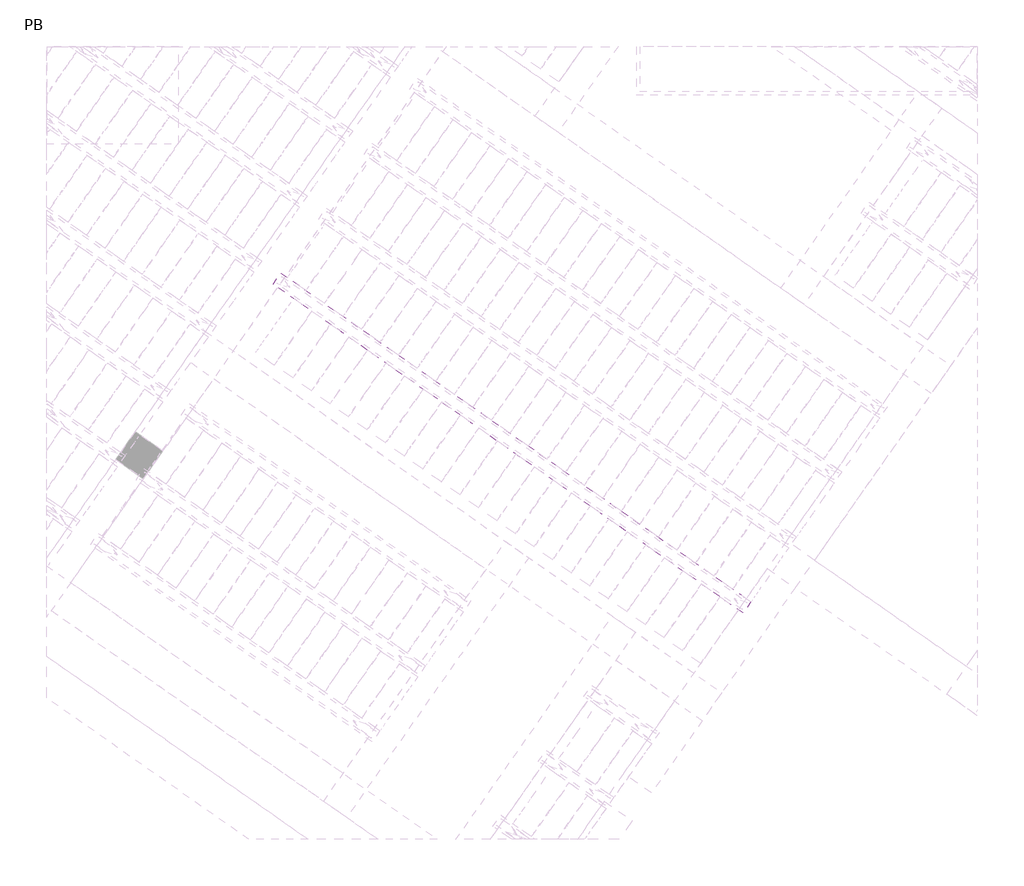
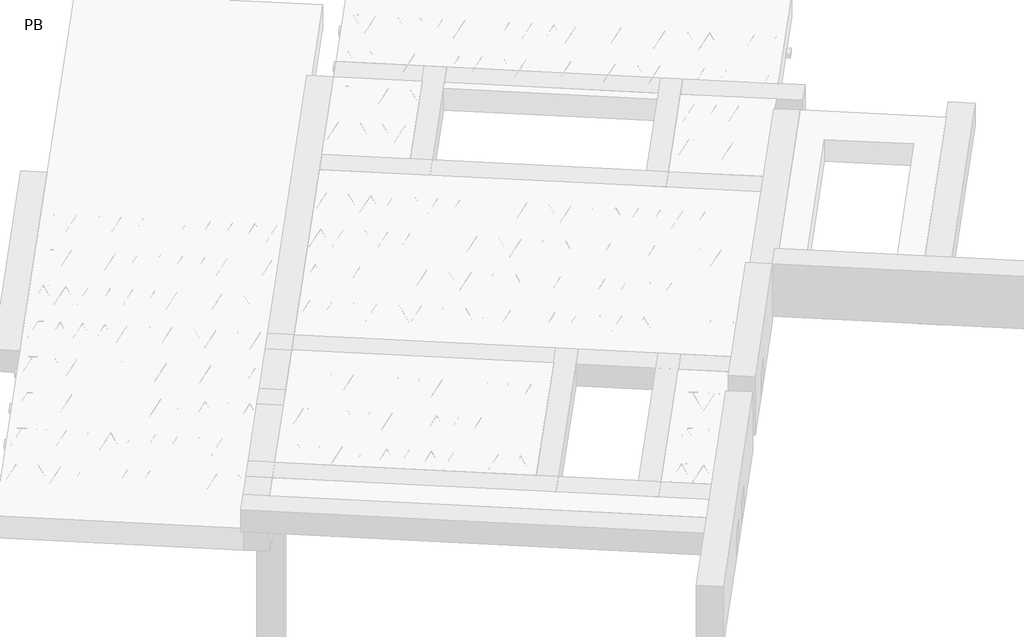
# One storey, part 20 of 56: 1 beam.
"""IFC4 building model written with IfcOpenShell, lengths in millimetres."""

from ifc_helpers import new_model, si_unit, point, frame, origin, origin_2d, place, context, project, spatial, polyline, circle_curve, trimmed, segment, composite_curve, outline, extrude, element, save

model = new_model("IFC4")

# Units and contexts
model_context = context("Model", 3, world=origin())
ifc_project = project(units=[si_unit("LENGTHUNIT", "METRE", prefix="MILLI")], contexts=[model_context])

# Site, building, storey
site = spatial("IfcSite", under=ifc_project)
building = spatial("IfcBuilding", under=site)
storey = spatial("IfcBuildingStorey", under=building, Name="PB", Elevation=95940.0)

# Beam
placement = place(None, origin())
element("IfcBeam", 1, at=placement, inside=storey, context=model_context, shape_type="SweptSolid", body=[
    extrude(outline(polyline([(3325.4790945, 3775.6919188), (3394.3082669, 3873.9901641), (7543.76721, 968.5077324), (7474.9380377, 870.2094871), (3325.4790945, 3775.6919188)])), frame((0.0, 0.0, 99220.0), z_axis=(0.0, 0.0, 1.0), x_axis=(1.0, 0.0, 0.0)), (0.0, 0.0, 1.0), 50.0),
    extrude(outline(composite_curve([segment(trimmed(circle_curve(origin_2d(), 2.5), [point((-2.5, 0.0))], [point((2.5, 0.0))], False, "CARTESIAN"), True, "CONTINUOUS"), segment(trimmed(circle_curve(origin_2d(), 2.5), [point((2.5, 0.0))], [point((-2.5, 0.0))], False, "CARTESIAN"), True, "CONTINUOUS")], self_intersect=False)), frame((7469.0442231, 903.6349706, 99245.0), z_axis=(-0.8191520442696126, 0.5735764363787226, 0.0), x_axis=(0.5735764363787226, 0.8191520442696126, 0.0)), (0.0, 0.0, 1.0), 5017.554035),
    extrude(outline(composite_curve([segment(trimmed(circle_curve(origin_2d(), 2.5), [point((-2.4999999, 0.0))], [point((2.5, 0.0))], False, "CARTESIAN"), True, "CONTINUOUS"), segment(trimmed(circle_curve(origin_2d(), 2.5), [point((2.5, 0.0))], [point((-2.4999999, 0.0))], False, "CARTESIAN"), True, "CONTINUOUS")], self_intersect=False)), frame((7421.0668597, 981.1769673, 99470.0), z_axis=(-0.8191520442696126, 0.5735764363787226, 0.0), x_axis=(0.5735764363787226, 0.8191520442696126, 0.0)), (0.0, 0.0, 1.0), 4850.0),
    extrude(outline(composite_curve([segment(trimmed(circle_curve(origin_2d(), 2.5), [point((-2.5000001, 1e-07))], [point((2.5, 0.0))], False, "CARTESIAN"), True, "CONTINUOUS"), segment(trimmed(circle_curve(origin_2d(), 2.5), [point((2.5, 0.0))], [point((-2.5000001, 1e-07))], False, "CARTESIAN"), True, "CONTINUOUS")], self_intersect=False)), frame((7461.8545114, 908.669261, 99245.0), z_axis=(-0.3145304735701046, 0.38933448886848654, 0.8657304643902053), x_axis=(0.7778747638402499, 0.6284193279813057, 0.0)), (0.0, 0.0, 1.0), 259.8961331),
    extrude(outline(composite_curve([segment(trimmed(circle_curve(origin_2d(), 2.5), [point((2.5, 0.0))], [point((-2.5, 0.0))], False, "CARTESIAN"), True, "CONTINUOUS"), segment(trimmed(circle_curve(origin_2d(), 2.5), [point((-2.5, 0.0))], [point((2.5, 0.0))], False, "CARTESIAN"), True, "CONTINUOUS")], self_intersect=False)), frame((7257.0665003, 1052.0633701, 99245.0), z_axis=(0.47343050384693375, -0.16240172737369005, 0.8657304643902051), x_axis=(-0.3244721671091268, -0.9458952440791246, 0.0)), (0.0, 0.0, 1.0), 259.8961331),
    extrude(outline(composite_curve([segment(trimmed(circle_curve(origin_2d(), 2.5), [point((-2.5, 0.0))], [point((2.5, 0.0))], False, "CARTESIAN"), True, "CONTINUOUS"), segment(trimmed(circle_curve(origin_2d(), 2.5), [point((2.5, 0.0))], [point((-2.5, 0.0))], False, "CARTESIAN"), True, "CONTINUOUS")], self_intersect=False)), frame((7257.0665003, 1052.0633701, 99245.0), z_axis=(-0.3145304735701046, 0.38933448886848654, 0.8657304643902053), x_axis=(0.7778747638402499, 0.6284193279813057, 0.0)), (0.0, 0.0, 1.0), 259.8961331),
    extrude(outline(composite_curve([segment(trimmed(circle_curve(origin_2d(), 2.5), [point((2.5, 0.0))], [point((-2.5, 0.0))], False, "CARTESIAN"), True, "CONTINUOUS"), segment(trimmed(circle_curve(origin_2d(), 2.5), [point((-2.5, 0.0))], [point((2.5, 0.0))], False, "CARTESIAN"), True, "CONTINUOUS")], self_intersect=False)), frame((7052.2784892, 1195.4574792, 99245.0), z_axis=(0.47343050384693375, -0.16240172737369005, 0.8657304643902051), x_axis=(-0.3244721671091268, -0.9458952440791246, 0.0)), (0.0, 0.0, 1.0), 259.8961331),
    extrude(outline(composite_curve([segment(trimmed(circle_curve(origin_2d(), 2.5), [point((-2.5, 0.0))], [point((2.5, 0.0))], False, "CARTESIAN"), True, "CONTINUOUS"), segment(trimmed(circle_curve(origin_2d(), 2.5), [point((2.5, 0.0))], [point((-2.5, 0.0))], False, "CARTESIAN"), True, "CONTINUOUS")], self_intersect=False)), frame((7052.2784892, 1195.4574792, 99245.0), z_axis=(-0.3145304735701046, 0.38933448886848654, 0.8657304643902053), x_axis=(0.7778747638402499, 0.6284193279813057, 0.0)), (0.0, 0.0, 1.0), 259.8961331),
    extrude(outline(composite_curve([segment(trimmed(circle_curve(origin_2d(), 2.5), [point((2.5, 0.0))], [point((-2.5, 1e-07))], False, "CARTESIAN"), True, "CONTINUOUS"), segment(trimmed(circle_curve(origin_2d(), 2.5), [point((-2.5, 1e-07))], [point((2.5, 0.0))], False, "CARTESIAN"), True, "CONTINUOUS")], self_intersect=False)), frame((6847.4904781, 1338.8515883, 99245.0), z_axis=(0.47343050384693375, -0.16240172737369005, 0.8657304643902051), x_axis=(-0.3244721671091268, -0.9458952440791246, 0.0)), (0.0, 0.0, 1.0), 259.8961331),
    extrude(outline(composite_curve([segment(trimmed(circle_curve(origin_2d(), 2.5), [point((-2.5, 0.0))], [point((2.5, 0.0))], False, "CARTESIAN"), True, "CONTINUOUS"), segment(trimmed(circle_curve(origin_2d(), 2.5), [point((2.5, 0.0))], [point((-2.5, 0.0))], False, "CARTESIAN"), True, "CONTINUOUS")], self_intersect=False)), frame((6847.4904781, 1338.8515883, 99245.0), z_axis=(-0.3145304735701046, 0.38933448886848654, 0.8657304643902053), x_axis=(0.7778747638402499, 0.6284193279813057, 0.0)), (0.0, 0.0, 1.0), 259.8961331),
    extrude(outline(composite_curve([segment(trimmed(circle_curve(origin_2d(), 2.5), [point((2.5, 0.0))], [point((-2.5, 0.0))], False, "CARTESIAN"), True, "CONTINUOUS"), segment(trimmed(circle_curve(origin_2d(), 2.5), [point((-2.5, 0.0))], [point((2.5, 0.0))], False, "CARTESIAN"), True, "CONTINUOUS")], self_intersect=False)), frame((6642.7024671, 1482.2456974, 99245.0), z_axis=(0.47343050384693375, -0.16240172737369005, 0.8657304643902051), x_axis=(-0.3244721671091268, -0.9458952440791246, 0.0)), (0.0, 0.0, 1.0), 259.8961331),
    extrude(outline(composite_curve([segment(trimmed(circle_curve(origin_2d(), 2.5), [point((-2.5, 0.0))], [point((2.5, 1e-07))], False, "CARTESIAN"), True, "CONTINUOUS"), segment(trimmed(circle_curve(origin_2d(), 2.5), [point((2.5, 1e-07))], [point((-2.5, 0.0))], False, "CARTESIAN"), True, "CONTINUOUS")], self_intersect=False)), frame((6642.7024674, 1482.2456971, 99245.0), z_axis=(-0.3145304735701046, 0.38933448886848654, 0.8657304643902053), x_axis=(0.7778747638402499, 0.6284193279813057, 0.0)), (0.0, 0.0, 1.0), 259.8961331),
    extrude(outline(composite_curve([segment(trimmed(circle_curve(origin_2d(), 2.5), [point((2.5, 0.0))], [point((-2.5000001, 0.0))], False, "CARTESIAN"), True, "CONTINUOUS"), segment(trimmed(circle_curve(origin_2d(), 2.5), [point((-2.5000001, 0.0))], [point((2.5, 0.0))], False, "CARTESIAN"), True, "CONTINUOUS")], self_intersect=False)), frame((6437.9144563, 1625.6398062, 99245.0), z_axis=(0.47343050384693375, -0.16240172737369005, 0.8657304643902051), x_axis=(-0.3244721671091268, -0.9458952440791246, 0.0)), (0.0, 0.0, 1.0), 259.8961331),
    extrude(outline(composite_curve([segment(trimmed(circle_curve(origin_2d(), 2.5), [point((-2.5, 0.0))], [point((2.5, 1e-07))], False, "CARTESIAN"), True, "CONTINUOUS"), segment(trimmed(circle_curve(origin_2d(), 2.5), [point((2.5, 1e-07))], [point((-2.5, 0.0))], False, "CARTESIAN"), True, "CONTINUOUS")], self_intersect=False)), frame((6437.9144563, 1625.6398062, 99245.0), z_axis=(-0.3145304735701046, 0.38933448886848654, 0.8657304643902053), x_axis=(0.7778747638402499, 0.6284193279813057, 0.0)), (0.0, 0.0, 1.0), 259.8961331),
    extrude(outline(composite_curve([segment(trimmed(circle_curve(origin_2d(), 2.5), [point((2.5, -1e-07))], [point((-2.5, 0.0))], False, "CARTESIAN"), True, "CONTINUOUS"), segment(trimmed(circle_curve(origin_2d(), 2.5), [point((-2.5, 0.0))], [point((2.5, -1e-07))], False, "CARTESIAN"), True, "CONTINUOUS")], self_intersect=False)), frame((6233.1264453, 1769.0339153, 99245.0), z_axis=(0.47343050384693375, -0.16240172737369005, 0.8657304643902051), x_axis=(-0.3244721671091268, -0.9458952440791246, 0.0)), (0.0, 0.0, 1.0), 259.8961331),
    extrude(outline(composite_curve([segment(trimmed(circle_curve(origin_2d(), 2.5), [point((-2.5, 0.0))], [point((2.5, 1e-07))], False, "CARTESIAN"), True, "CONTINUOUS"), segment(trimmed(circle_curve(origin_2d(), 2.5), [point((2.5, 1e-07))], [point((-2.5, 0.0))], False, "CARTESIAN"), True, "CONTINUOUS")], self_intersect=False)), frame((6233.1264453, 1769.0339153, 99245.0), z_axis=(-0.3145304735701046, 0.38933448886848654, 0.8657304643902053), x_axis=(0.7778747638402499, 0.6284193279813057, 0.0)), (0.0, 0.0, 1.0), 259.8961331),
    extrude(outline(composite_curve([segment(trimmed(circle_curve(origin_2d(), 2.5), [point((2.5, 0.0))], [point((-2.5, 0.0))], False, "CARTESIAN"), True, "CONTINUOUS"), segment(trimmed(circle_curve(origin_2d(), 2.5), [point((-2.5, 0.0))], [point((2.5, 0.0))], False, "CARTESIAN"), True, "CONTINUOUS")], self_intersect=False)), frame((6028.3384342, 1912.4280244, 99245.0), z_axis=(0.47343050384693375, -0.16240172737369005, 0.8657304643902051), x_axis=(-0.3244721671091268, -0.9458952440791246, 0.0)), (0.0, 0.0, 1.0), 259.8961331),
    extrude(outline(composite_curve([segment(trimmed(circle_curve(origin_2d(), 2.5), [point((-2.5, 0.0))], [point((2.5, 1e-07))], False, "CARTESIAN"), True, "CONTINUOUS"), segment(trimmed(circle_curve(origin_2d(), 2.5), [point((2.5, 1e-07))], [point((-2.5, 0.0))], False, "CARTESIAN"), True, "CONTINUOUS")], self_intersect=False)), frame((6028.3384342, 1912.4280244, 99245.0), z_axis=(-0.3145304735701046, 0.38933448886848654, 0.8657304643902053), x_axis=(0.7778747638402499, 0.6284193279813057, 0.0)), (0.0, 0.0, 1.0), 259.8961331),
    extrude(outline(composite_curve([segment(trimmed(circle_curve(origin_2d(), 2.5), [point((2.5, 0.0))], [point((-2.5, 0.0))], False, "CARTESIAN"), True, "CONTINUOUS"), segment(trimmed(circle_curve(origin_2d(), 2.5), [point((-2.5, 0.0))], [point((2.5, 0.0))], False, "CARTESIAN"), True, "CONTINUOUS")], self_intersect=False)), frame((5823.5504231, 2055.8221335, 99245.0), z_axis=(0.47343050384693375, -0.16240172737369005, 0.8657304643902051), x_axis=(-0.3244721671091268, -0.9458952440791246, 0.0)), (0.0, 0.0, 1.0), 259.8961331),
    extrude(outline(composite_curve([segment(trimmed(circle_curve(origin_2d(), 2.5), [point((-2.5, 0.0))], [point((2.5, 0.0))], False, "CARTESIAN"), True, "CONTINUOUS"), segment(trimmed(circle_curve(origin_2d(), 2.5), [point((2.5, 0.0))], [point((-2.5, 0.0))], False, "CARTESIAN"), True, "CONTINUOUS")], self_intersect=False)), frame((5823.5504231, 2055.8221335, 99245.0), z_axis=(-0.3145304735701046, 0.38933448886848654, 0.8657304643902053), x_axis=(0.7778747638402499, 0.6284193279813057, 0.0)), (0.0, 0.0, 1.0), 259.8961331),
    extrude(outline(composite_curve([segment(trimmed(circle_curve(origin_2d(), 2.5), [point((2.5, -1e-07))], [point((-2.5, 0.0))], False, "CARTESIAN"), True, "CONTINUOUS"), segment(trimmed(circle_curve(origin_2d(), 2.5), [point((-2.5, 0.0))], [point((2.5, -1e-07))], False, "CARTESIAN"), True, "CONTINUOUS")], self_intersect=False)), frame((5618.7624121, 2199.2162426, 99245.0), z_axis=(0.47343050384693375, -0.16240172737369005, 0.8657304643902051), x_axis=(-0.3244721671091268, -0.9458952440791246, 0.0)), (0.0, 0.0, 1.0), 259.8961331),
    extrude(outline(composite_curve([segment(trimmed(circle_curve(origin_2d(), 2.5), [point((-2.5, 0.0))], [point((2.5, 0.0))], False, "CARTESIAN"), True, "CONTINUOUS"), segment(trimmed(circle_curve(origin_2d(), 2.5), [point((2.5, 0.0))], [point((-2.5, 0.0))], False, "CARTESIAN"), True, "CONTINUOUS")], self_intersect=False)), frame((5618.7624121, 2199.2162426, 99245.0), z_axis=(-0.3145304735701046, 0.38933448886848654, 0.8657304643902053), x_axis=(0.7778747638402499, 0.6284193279813057, 0.0)), (0.0, 0.0, 1.0), 259.8961331),
    extrude(outline(composite_curve([segment(trimmed(circle_curve(origin_2d(), 2.5), [point((2.5, 0.0))], [point((-2.5, 0.0))], False, "CARTESIAN"), True, "CONTINUOUS"), segment(trimmed(circle_curve(origin_2d(), 2.5), [point((-2.5, 0.0))], [point((2.5, 0.0))], False, "CARTESIAN"), True, "CONTINUOUS")], self_intersect=False)), frame((5413.974401, 2342.6103517, 99245.0), z_axis=(0.47343050384693375, -0.16240172737369005, 0.8657304643902051), x_axis=(-0.3244721671091268, -0.9458952440791246, 0.0)), (0.0, 0.0, 1.0), 259.8961331),
    extrude(outline(composite_curve([segment(trimmed(circle_curve(origin_2d(), 2.5), [point((-2.5, 0.0))], [point((2.5, 0.0))], False, "CARTESIAN"), True, "CONTINUOUS"), segment(trimmed(circle_curve(origin_2d(), 2.5), [point((2.5, 0.0))], [point((-2.5, 0.0))], False, "CARTESIAN"), True, "CONTINUOUS")], self_intersect=False)), frame((5413.974401, 2342.6103517, 99245.0), z_axis=(-0.3145304735701046, 0.38933448886848654, 0.8657304643902053), x_axis=(0.7778747638402499, 0.6284193279813057, 0.0)), (0.0, 0.0, 1.0), 259.8961331),
    extrude(outline(composite_curve([segment(trimmed(circle_curve(origin_2d(), 2.5), [point((2.5, 0.0))], [point((-2.5, 0.0))], False, "CARTESIAN"), True, "CONTINUOUS"), segment(trimmed(circle_curve(origin_2d(), 2.5), [point((-2.5, 0.0))], [point((2.5, 0.0))], False, "CARTESIAN"), True, "CONTINUOUS")], self_intersect=False)), frame((5209.1863899, 2486.0044608, 99245.0), z_axis=(0.47343050384693375, -0.16240172737369005, 0.8657304643902051), x_axis=(-0.3244721671091268, -0.9458952440791246, 0.0)), (0.0, 0.0, 1.0), 259.8961331),
    extrude(outline(composite_curve([segment(trimmed(circle_curve(origin_2d(), 2.5), [point((-2.5, 0.0))], [point((2.5, 0.0))], False, "CARTESIAN"), True, "CONTINUOUS"), segment(trimmed(circle_curve(origin_2d(), 2.5), [point((2.5, 0.0))], [point((-2.5, 0.0))], False, "CARTESIAN"), True, "CONTINUOUS")], self_intersect=False)), frame((5209.1863899, 2486.0044608, 99245.0), z_axis=(-0.3145304735701046, 0.38933448886848654, 0.8657304643902053), x_axis=(0.7778747638402499, 0.6284193279813057, 0.0)), (0.0, 0.0, 1.0), 259.8961331),
    extrude(outline(composite_curve([segment(trimmed(circle_curve(origin_2d(), 2.5), [point((2.5, -1e-07))], [point((-2.5, 0.0))], False, "CARTESIAN"), True, "CONTINUOUS"), segment(trimmed(circle_curve(origin_2d(), 2.5), [point((-2.5, 0.0))], [point((2.5, -1e-07))], False, "CARTESIAN"), True, "CONTINUOUS")], self_intersect=False)), frame((5004.3983789, 2629.3985699, 99245.0), z_axis=(0.47343050384693375, -0.16240172737369005, 0.8657304643902051), x_axis=(-0.3244721671091268, -0.9458952440791246, 0.0)), (0.0, 0.0, 1.0), 259.8961331),
    extrude(outline(composite_curve([segment(trimmed(circle_curve(origin_2d(), 2.5), [point((-2.5000001, 1e-07))], [point((2.5, 0.0))], False, "CARTESIAN"), True, "CONTINUOUS"), segment(trimmed(circle_curve(origin_2d(), 2.5), [point((2.5, 0.0))], [point((-2.5000001, 1e-07))], False, "CARTESIAN"), True, "CONTINUOUS")], self_intersect=False)), frame((5004.3983789, 2629.3985699, 99245.0), z_axis=(-0.3145304735701046, 0.38933448886848654, 0.8657304643902053), x_axis=(0.7778747638402499, 0.6284193279813057, 0.0)), (0.0, 0.0, 1.0), 259.8961331),
    extrude(outline(composite_curve([segment(trimmed(circle_curve(origin_2d(), 2.5), [point((2.5, 0.0))], [point((-2.5, 0.0))], False, "CARTESIAN"), True, "CONTINUOUS"), segment(trimmed(circle_curve(origin_2d(), 2.5), [point((-2.5, 0.0))], [point((2.5, 0.0))], False, "CARTESIAN"), True, "CONTINUOUS")], self_intersect=False)), frame((4799.6103678, 2772.792679, 99245.0), z_axis=(0.47343050384693375, -0.16240172737369005, 0.8657304643902051), x_axis=(-0.3244721671091268, -0.9458952440791246, 0.0)), (0.0, 0.0, 1.0), 259.8961331),
    extrude(outline(composite_curve([segment(trimmed(circle_curve(origin_2d(), 2.5), [point((-2.5, 0.0))], [point((2.5, 0.0))], False, "CARTESIAN"), True, "CONTINUOUS"), segment(trimmed(circle_curve(origin_2d(), 2.5), [point((2.5, 0.0))], [point((-2.5, 0.0))], False, "CARTESIAN"), True, "CONTINUOUS")], self_intersect=False)), frame((4799.6103678, 2772.792679, 99245.0), z_axis=(-0.3145304735701046, 0.38933448886848654, 0.8657304643902053), x_axis=(0.7778747638402499, 0.6284193279813057, 0.0)), (0.0, 0.0, 1.0), 259.8961331),
    extrude(outline(composite_curve([segment(trimmed(circle_curve(origin_2d(), 2.5), [point((2.5, 0.0))], [point((-2.5, 0.0))], False, "CARTESIAN"), True, "CONTINUOUS"), segment(trimmed(circle_curve(origin_2d(), 2.5), [point((-2.5, 0.0))], [point((2.5, 0.0))], False, "CARTESIAN"), True, "CONTINUOUS")], self_intersect=False)), frame((4594.8223567, 2916.1867881, 99245.0), z_axis=(0.47343050384693375, -0.16240172737369005, 0.8657304643902051), x_axis=(-0.3244721671091268, -0.9458952440791246, 0.0)), (0.0, 0.0, 1.0), 259.8961331),
    extrude(outline(composite_curve([segment(trimmed(circle_curve(origin_2d(), 2.5), [point((-2.5, 0.0))], [point((2.5, 0.0))], False, "CARTESIAN"), True, "CONTINUOUS"), segment(trimmed(circle_curve(origin_2d(), 2.5), [point((2.5, 0.0))], [point((-2.5, 0.0))], False, "CARTESIAN"), True, "CONTINUOUS")], self_intersect=False)), frame((4594.8223567, 2916.1867881, 99245.0), z_axis=(-0.3145304735701046, 0.38933448886848654, 0.8657304643902053), x_axis=(0.7778747638402499, 0.6284193279813057, 0.0)), (0.0, 0.0, 1.0), 259.8961331),
    extrude(outline(composite_curve([segment(trimmed(circle_curve(origin_2d(), 2.5), [point((2.5, -1e-07))], [point((-2.5, 0.0))], False, "CARTESIAN"), True, "CONTINUOUS"), segment(trimmed(circle_curve(origin_2d(), 2.5), [point((-2.5, 0.0))], [point((2.5, -1e-07))], False, "CARTESIAN"), True, "CONTINUOUS")], self_intersect=False)), frame((4390.0343457, 3059.5808972, 99245.0), z_axis=(0.47343050384693375, -0.16240172737369005, 0.8657304643902051), x_axis=(-0.3244721671091268, -0.9458952440791246, 0.0)), (0.0, 0.0, 1.0), 259.8961331),
    extrude(outline(composite_curve([segment(trimmed(circle_curve(origin_2d(), 2.5), [point((-2.5000001, 1e-07))], [point((2.5, 0.0))], False, "CARTESIAN"), True, "CONTINUOUS"), segment(trimmed(circle_curve(origin_2d(), 2.5), [point((2.5, 0.0))], [point((-2.5000001, 1e-07))], False, "CARTESIAN"), True, "CONTINUOUS")], self_intersect=False)), frame((4390.0343457, 3059.5808972, 99245.0), z_axis=(-0.3145304735701046, 0.38933448886848654, 0.8657304643902053), x_axis=(0.7778747638402499, 0.6284193279813057, 0.0)), (0.0, 0.0, 1.0), 259.8961331),
    extrude(outline(composite_curve([segment(trimmed(circle_curve(origin_2d(), 2.5), [point((2.5, 0.0))], [point((-2.5, 0.0))], False, "CARTESIAN"), True, "CONTINUOUS"), segment(trimmed(circle_curve(origin_2d(), 2.5), [point((-2.5, 0.0))], [point((2.5, 0.0))], False, "CARTESIAN"), True, "CONTINUOUS")], self_intersect=False)), frame((4185.2463346, 3202.9750063, 99245.0), z_axis=(0.47343050384693375, -0.16240172737369005, 0.8657304643902051), x_axis=(-0.3244721671091268, -0.9458952440791246, 0.0)), (0.0, 0.0, 1.0), 259.8961331),
    extrude(outline(composite_curve([segment(trimmed(circle_curve(origin_2d(), 2.5), [point((-2.5, 0.0))], [point((2.5, 0.0))], False, "CARTESIAN"), True, "CONTINUOUS"), segment(trimmed(circle_curve(origin_2d(), 2.5), [point((2.5, 0.0))], [point((-2.5, 0.0))], False, "CARTESIAN"), True, "CONTINUOUS")], self_intersect=False)), frame((4185.2463346, 3202.9750063, 99245.0), z_axis=(-0.3145304735701046, 0.38933448886848654, 0.8657304643902053), x_axis=(0.7778747638402499, 0.6284193279813057, 0.0)), (0.0, 0.0, 1.0), 259.8961331),
    extrude(outline(composite_curve([segment(trimmed(circle_curve(origin_2d(), 2.5), [point((2.5, 0.0))], [point((-2.5, 0.0))], False, "CARTESIAN"), True, "CONTINUOUS"), segment(trimmed(circle_curve(origin_2d(), 2.5), [point((-2.5, 0.0))], [point((2.5, 0.0))], False, "CARTESIAN"), True, "CONTINUOUS")], self_intersect=False)), frame((3980.4583235, 3346.3691154, 99245.0), z_axis=(0.47343050384693375, -0.16240172737369005, 0.8657304643902051), x_axis=(-0.3244721671091268, -0.9458952440791246, 0.0)), (0.0, 0.0, 1.0), 259.8961331),
    extrude(outline(composite_curve([segment(trimmed(circle_curve(origin_2d(), 2.5), [point((-2.5, 0.0))], [point((2.5, 0.0))], False, "CARTESIAN"), True, "CONTINUOUS"), segment(trimmed(circle_curve(origin_2d(), 2.5), [point((2.5, 0.0))], [point((-2.5, 0.0))], False, "CARTESIAN"), True, "CONTINUOUS")], self_intersect=False)), frame((3980.4583235, 3346.3691154, 99245.0), z_axis=(-0.3145304735701046, 0.38933448886848654, 0.8657304643902053), x_axis=(0.7778747638402499, 0.6284193279813057, 0.0)), (0.0, 0.0, 1.0), 259.8961331),
    extrude(outline(composite_curve([segment(trimmed(circle_curve(origin_2d(), 2.5), [point((2.5, -1e-07))], [point((-2.5, 0.0))], False, "CARTESIAN"), True, "CONTINUOUS"), segment(trimmed(circle_curve(origin_2d(), 2.5), [point((-2.5, 0.0))], [point((2.5, -1e-07))], False, "CARTESIAN"), True, "CONTINUOUS")], self_intersect=False)), frame((3775.6703125, 3489.7632245, 99245.0), z_axis=(0.47343050384693375, -0.16240172737369005, 0.8657304643902051), x_axis=(-0.3244721671091268, -0.9458952440791246, 0.0)), (0.0, 0.0, 1.0), 259.8961331),
    extrude(outline(composite_curve([segment(trimmed(circle_curve(origin_2d(), 2.5), [point((-2.5000001, 1e-07))], [point((2.5, 0.0))], False, "CARTESIAN"), True, "CONTINUOUS"), segment(trimmed(circle_curve(origin_2d(), 2.5), [point((2.5, 0.0))], [point((-2.5000001, 1e-07))], False, "CARTESIAN"), True, "CONTINUOUS")], self_intersect=False)), frame((3775.6703125, 3489.7632245, 99245.0), z_axis=(-0.3145304735701046, 0.38933448886848654, 0.8657304643902053), x_axis=(0.7778747638402499, 0.6284193279813057, 0.0)), (0.0, 0.0, 1.0), 259.8961331),
    extrude(outline(composite_curve([segment(trimmed(circle_curve(origin_2d(), 2.5), [point((2.5, 0.0))], [point((-2.5, 0.0))], False, "CARTESIAN"), True, "CONTINUOUS"), segment(trimmed(circle_curve(origin_2d(), 2.5), [point((-2.5, 0.0))], [point((2.5, 0.0))], False, "CARTESIAN"), True, "CONTINUOUS")], self_intersect=False)), frame((3570.8823014, 3633.1573336, 99245.0), z_axis=(0.47343050384693375, -0.16240172737369005, 0.8657304643902051), x_axis=(-0.3244721671091268, -0.9458952440791246, 0.0)), (0.0, 0.0, 1.0), 259.8961331),
    extrude(outline(composite_curve([segment(trimmed(circle_curve(origin_2d(), 2.5), [point((-2.5, -1e-07))], [point((2.5, 0.0))], False, "CARTESIAN"), True, "CONTINUOUS"), segment(trimmed(circle_curve(origin_2d(), 2.5), [point((2.5, 0.0))], [point((-2.5, -1e-07))], False, "CARTESIAN"), True, "CONTINUOUS")], self_intersect=False)), frame((3570.8823014, 3633.1573336, 99245.0), z_axis=(-0.3145304735701046, 0.38933448886848654, 0.8657304643902053), x_axis=(0.7778747638402499, 0.6284193279813057, 0.0)), (0.0, 0.0, 1.0), 259.8961331),
    extrude(outline(composite_curve([segment(trimmed(circle_curve(origin_2d(), 2.5), [point((2.5, 0.0))], [point((-2.5, 0.0))], False, "CARTESIAN"), True, "CONTINUOUS"), segment(trimmed(circle_curve(origin_2d(), 2.5), [point((-2.5, 0.0))], [point((2.5, 0.0))], False, "CARTESIAN"), True, "CONTINUOUS")], self_intersect=False)), frame((3366.0942903, 3776.5514427, 99245.0), z_axis=(0.47343050384693375, -0.16240172737369005, 0.8657304643902051), x_axis=(-0.3244721671091268, -0.9458952440791246, 0.0)), (0.0, 0.0, 1.0), 259.8961331),
    extrude(outline(composite_curve([segment(trimmed(circle_curve(origin_2d(), 2.5), [point((-2.5, 0.0))], [point((2.5, 0.0))], False, "CARTESIAN"), True, "CONTINUOUS"), segment(trimmed(circle_curve(origin_2d(), 2.5), [point((2.5, 0.0))], [point((-2.5, 0.0))], False, "CARTESIAN"), True, "CONTINUOUS")], self_intersect=False)), frame((7510.3417265, 962.6139178, 99245.0), z_axis=(-0.8191520442696126, 0.5735764363787226, 0.0), x_axis=(0.5735764363787226, 0.8191520442696126, 0.0)), (0.0, 0.0, 1.0), 5017.554035),
    extrude(outline(composite_curve([segment(trimmed(circle_curve(origin_2d(), 2.5), [point((-2.5, 0.0))], [point((2.5, 0.0))], False, "CARTESIAN"), True, "CONTINUOUS"), segment(trimmed(circle_curve(origin_2d(), 2.5), [point((2.5, 0.0))], [point((-2.5, 0.0))], False, "CARTESIAN"), True, "CONTINUOUS")], self_intersect=False)), frame((7503.1520148, 967.6482082, 99245.0), z_axis=(-0.47343050384693375, 0.16240172737369005, 0.8657304643902051), x_axis=(0.3244721671091268, 0.9458952440791246, 0.0)), (0.0, 0.0, 1.0), 259.8961331),
    extrude(outline(composite_curve([segment(trimmed(circle_curve(origin_2d(), 2.5), [point((2.5, 0.0))], [point((-2.5, 0.0))], False, "CARTESIAN"), True, "CONTINUOUS"), segment(trimmed(circle_curve(origin_2d(), 2.5), [point((-2.5, 0.0))], [point((2.5, 0.0))], False, "CARTESIAN"), True, "CONTINUOUS")], self_intersect=False)), frame((7298.3640037, 1111.0423173, 99245.0), z_axis=(0.3145304735701046, -0.38933448886848654, 0.8657304643902053), x_axis=(-0.7778747638402499, -0.6284193279813057, 0.0)), (0.0, 0.0, 1.0), 259.8961331),
    extrude(outline(composite_curve([segment(trimmed(circle_curve(origin_2d(), 2.5), [point((-2.5, 0.0))], [point((2.5, 0.0))], False, "CARTESIAN"), True, "CONTINUOUS"), segment(trimmed(circle_curve(origin_2d(), 2.5), [point((2.5, 0.0))], [point((-2.5, 0.0))], False, "CARTESIAN"), True, "CONTINUOUS")], self_intersect=False)), frame((7298.3640037, 1111.0423173, 99245.0), z_axis=(-0.47343050384693375, 0.16240172737369005, 0.8657304643902051), x_axis=(0.3244721671091268, 0.9458952440791246, 0.0)), (0.0, 0.0, 1.0), 259.8961331),
    extrude(outline(composite_curve([segment(trimmed(circle_curve(origin_2d(), 2.5), [point((2.5, 0.0))], [point((-2.5, 0.0))], False, "CARTESIAN"), True, "CONTINUOUS"), segment(trimmed(circle_curve(origin_2d(), 2.5), [point((-2.5, 0.0))], [point((2.5, 0.0))], False, "CARTESIAN"), True, "CONTINUOUS")], self_intersect=False)), frame((7093.5759926, 1254.4364264, 99245.0), z_axis=(0.3145304735701046, -0.38933448886848654, 0.8657304643902053), x_axis=(-0.7778747638402499, -0.6284193279813057, 0.0)), (0.0, 0.0, 1.0), 259.8961331),
    extrude(outline(composite_curve([segment(trimmed(circle_curve(origin_2d(), 2.5), [point((-2.5, 0.0))], [point((2.5, 0.0))], False, "CARTESIAN"), True, "CONTINUOUS"), segment(trimmed(circle_curve(origin_2d(), 2.5), [point((2.5, 0.0))], [point((-2.5, 0.0))], False, "CARTESIAN"), True, "CONTINUOUS")], self_intersect=False)), frame((7093.5759926, 1254.4364264, 99245.0), z_axis=(-0.47343050384693375, 0.16240172737369005, 0.8657304643902051), x_axis=(0.3244721671091268, 0.9458952440791246, 0.0)), (0.0, 0.0, 1.0), 259.8961331),
    extrude(outline(composite_curve([segment(trimmed(circle_curve(origin_2d(), 2.5), [point((2.5000001, 0.0))], [point((-2.5, 0.0))], False, "CARTESIAN"), True, "CONTINUOUS"), segment(trimmed(circle_curve(origin_2d(), 2.5), [point((-2.5, 0.0))], [point((2.5000001, 0.0))], False, "CARTESIAN"), True, "CONTINUOUS")], self_intersect=False)), frame((6888.7879816, 1397.8305355, 99245.0), z_axis=(0.3145304735701046, -0.38933448886848654, 0.8657304643902053), x_axis=(-0.7778747638402499, -0.6284193279813057, 0.0)), (0.0, 0.0, 1.0), 259.8961331),
    extrude(outline(composite_curve([segment(trimmed(circle_curve(origin_2d(), 2.5), [point((-2.5, 1e-07))], [point((2.5, 0.0))], False, "CARTESIAN"), True, "CONTINUOUS"), segment(trimmed(circle_curve(origin_2d(), 2.5), [point((2.5, 0.0))], [point((-2.5, 1e-07))], False, "CARTESIAN"), True, "CONTINUOUS")], self_intersect=False)), frame((6888.7879816, 1397.8305355, 99245.0), z_axis=(-0.47343050384693375, 0.16240172737369005, 0.8657304643902051), x_axis=(0.3244721671091268, 0.9458952440791246, 0.0)), (0.0, 0.0, 1.0), 259.8961331),
    extrude(outline(composite_curve([segment(trimmed(circle_curve(origin_2d(), 2.5), [point((2.5, 1e-07))], [point((-2.5, 0.0))], False, "CARTESIAN"), True, "CONTINUOUS"), segment(trimmed(circle_curve(origin_2d(), 2.5), [point((-2.5, 0.0))], [point((2.5, 1e-07))], False, "CARTESIAN"), True, "CONTINUOUS")], self_intersect=False)), frame((6683.9999705, 1541.2246446, 99245.0), z_axis=(0.3145304735701046, -0.38933448886848654, 0.8657304643902053), x_axis=(-0.7778747638402499, -0.6284193279813057, 0.0)), (0.0, 0.0, 1.0), 259.8961331),
    extrude(outline(composite_curve([segment(trimmed(circle_curve(origin_2d(), 2.5), [point((-2.5, 0.0))], [point((2.5, 0.0))], False, "CARTESIAN"), True, "CONTINUOUS"), segment(trimmed(circle_curve(origin_2d(), 2.5), [point((2.5, 0.0))], [point((-2.5, 0.0))], False, "CARTESIAN"), True, "CONTINUOUS")], self_intersect=False)), frame((6683.9999708, 1541.2246443, 99245.0), z_axis=(-0.47343050384693375, 0.16240172737369005, 0.8657304643902051), x_axis=(0.3244721671091268, 0.9458952440791246, 0.0)), (0.0, 0.0, 1.0), 259.8961331),
    extrude(outline(composite_curve([segment(trimmed(circle_curve(origin_2d(), 2.5), [point((2.5000001, -1e-07))], [point((-2.5, 0.0))], False, "CARTESIAN"), True, "CONTINUOUS"), segment(trimmed(circle_curve(origin_2d(), 2.5), [point((-2.5, 0.0))], [point((2.5000001, -1e-07))], False, "CARTESIAN"), True, "CONTINUOUS")], self_intersect=False)), frame((6479.2119598, 1684.6187534, 99245.0), z_axis=(0.3145304735701046, -0.38933448886848654, 0.8657304643902053), x_axis=(-0.7778747638402499, -0.6284193279813057, 0.0)), (0.0, 0.0, 1.0), 259.8961331),
    extrude(outline(composite_curve([segment(trimmed(circle_curve(origin_2d(), 2.5), [point((-2.5, 0.0))], [point((2.5, -1e-07))], False, "CARTESIAN"), True, "CONTINUOUS"), segment(trimmed(circle_curve(origin_2d(), 2.5), [point((2.5, -1e-07))], [point((-2.5, 0.0))], False, "CARTESIAN"), True, "CONTINUOUS")], self_intersect=False)), frame((6479.2119597, 1684.6187534, 99245.0), z_axis=(-0.47343050384693375, 0.16240172737369005, 0.8657304643902051), x_axis=(0.3244721671091268, 0.9458952440791246, 0.0)), (0.0, 0.0, 1.0), 259.8961331),
    extrude(outline(composite_curve([segment(trimmed(circle_curve(origin_2d(), 2.5), [point((2.5, 0.0))], [point((-2.5, 0.0))], False, "CARTESIAN"), True, "CONTINUOUS"), segment(trimmed(circle_curve(origin_2d(), 2.5), [point((-2.5, 0.0))], [point((2.5, 0.0))], False, "CARTESIAN"), True, "CONTINUOUS")], self_intersect=False)), frame((6274.4239487, 1828.0128625, 99245.0), z_axis=(0.3145304735701046, -0.38933448886848654, 0.8657304643902053), x_axis=(-0.7778747638402499, -0.6284193279813057, 0.0)), (0.0, 0.0, 1.0), 259.8961331),
    extrude(outline(composite_curve([segment(trimmed(circle_curve(origin_2d(), 2.5), [point((-2.5, 0.0))], [point((2.5, 0.0))], False, "CARTESIAN"), True, "CONTINUOUS"), segment(trimmed(circle_curve(origin_2d(), 2.5), [point((2.5, 0.0))], [point((-2.5, 0.0))], False, "CARTESIAN"), True, "CONTINUOUS")], self_intersect=False)), frame((6274.4239487, 1828.0128625, 99245.0), z_axis=(-0.47343050384693375, 0.16240172737369005, 0.8657304643902051), x_axis=(0.3244721671091268, 0.9458952440791246, 0.0)), (0.0, 0.0, 1.0), 259.8961331),
    extrude(outline(composite_curve([segment(trimmed(circle_curve(origin_2d(), 2.5), [point((2.5, 0.0))], [point((-2.5, 0.0))], False, "CARTESIAN"), True, "CONTINUOUS"), segment(trimmed(circle_curve(origin_2d(), 2.5), [point((-2.5, 0.0))], [point((2.5, 0.0))], False, "CARTESIAN"), True, "CONTINUOUS")], self_intersect=False)), frame((6069.6359376, 1971.4069716, 99245.0), z_axis=(0.3145304735701046, -0.38933448886848654, 0.8657304643902053), x_axis=(-0.7778747638402499, -0.6284193279813057, 0.0)), (0.0, 0.0, 1.0), 259.8961331),
    extrude(outline(composite_curve([segment(trimmed(circle_curve(origin_2d(), 2.5), [point((-2.5, 0.0))], [point((2.5, 0.0))], False, "CARTESIAN"), True, "CONTINUOUS"), segment(trimmed(circle_curve(origin_2d(), 2.5), [point((2.5, 0.0))], [point((-2.5, 0.0))], False, "CARTESIAN"), True, "CONTINUOUS")], self_intersect=False)), frame((6069.6359376, 1971.4069716, 99245.0), z_axis=(-0.47343050384693375, 0.16240172737369005, 0.8657304643902051), x_axis=(0.3244721671091268, 0.9458952440791246, 0.0)), (0.0, 0.0, 1.0), 259.8961331),
    extrude(outline(composite_curve([segment(trimmed(circle_curve(origin_2d(), 2.5), [point((2.5, 0.0))], [point((-2.5000001, 1e-07))], False, "CARTESIAN"), True, "CONTINUOUS"), segment(trimmed(circle_curve(origin_2d(), 2.5), [point((-2.5000001, 1e-07))], [point((2.5, 0.0))], False, "CARTESIAN"), True, "CONTINUOUS")], self_intersect=False)), frame((5864.8479265, 2114.8010807, 99245.0), z_axis=(0.3145304735701046, -0.38933448886848654, 0.8657304643902053), x_axis=(-0.7778747638402499, -0.6284193279813057, 0.0)), (0.0, 0.0, 1.0), 259.8961331),
    extrude(outline(composite_curve([segment(trimmed(circle_curve(origin_2d(), 2.5), [point((-2.5, 0.0))], [point((2.5, -1e-07))], False, "CARTESIAN"), True, "CONTINUOUS"), segment(trimmed(circle_curve(origin_2d(), 2.5), [point((2.5, -1e-07))], [point((-2.5, 0.0))], False, "CARTESIAN"), True, "CONTINUOUS")], self_intersect=False)), frame((5864.8479265, 2114.8010807, 99245.0), z_axis=(-0.47343050384693375, 0.16240172737369005, 0.8657304643902051), x_axis=(0.3244721671091268, 0.9458952440791246, 0.0)), (0.0, 0.0, 1.0), 259.8961331),
    extrude(outline(composite_curve([segment(trimmed(circle_curve(origin_2d(), 2.5), [point((2.5, 0.0))], [point((-2.5, 0.0))], False, "CARTESIAN"), True, "CONTINUOUS"), segment(trimmed(circle_curve(origin_2d(), 2.5), [point((-2.5, 0.0))], [point((2.5, 0.0))], False, "CARTESIAN"), True, "CONTINUOUS")], self_intersect=False)), frame((5660.0599155, 2258.1951898, 99245.0), z_axis=(0.3145304735701046, -0.38933448886848654, 0.8657304643902053), x_axis=(-0.7778747638402499, -0.6284193279813057, 0.0)), (0.0, 0.0, 1.0), 259.8961331),
    extrude(outline(composite_curve([segment(trimmed(circle_curve(origin_2d(), 2.5), [point((-2.5, 0.0))], [point((2.5, 0.0))], False, "CARTESIAN"), True, "CONTINUOUS"), segment(trimmed(circle_curve(origin_2d(), 2.5), [point((2.5, 0.0))], [point((-2.5, 0.0))], False, "CARTESIAN"), True, "CONTINUOUS")], self_intersect=False)), frame((5660.0599155, 2258.1951898, 99245.0), z_axis=(-0.47343050384693375, 0.16240172737369005, 0.8657304643902051), x_axis=(0.3244721671091268, 0.9458952440791246, 0.0)), (0.0, 0.0, 1.0), 259.8961331),
    extrude(outline(composite_curve([segment(trimmed(circle_curve(origin_2d(), 2.5), [point((2.5, 0.0))], [point((-2.5, 0.0))], False, "CARTESIAN"), True, "CONTINUOUS"), segment(trimmed(circle_curve(origin_2d(), 2.5), [point((-2.5, 0.0))], [point((2.5, 0.0))], False, "CARTESIAN"), True, "CONTINUOUS")], self_intersect=False)), frame((5455.2719044, 2401.5892989, 99245.0), z_axis=(0.3145304735701046, -0.38933448886848654, 0.8657304643902053), x_axis=(-0.7778747638402499, -0.6284193279813057, 0.0)), (0.0, 0.0, 1.0), 259.8961331),
    extrude(outline(composite_curve([segment(trimmed(circle_curve(origin_2d(), 2.5), [point((-2.5, 0.0))], [point((2.5, 0.0))], False, "CARTESIAN"), True, "CONTINUOUS"), segment(trimmed(circle_curve(origin_2d(), 2.5), [point((2.5, 0.0))], [point((-2.5, 0.0))], False, "CARTESIAN"), True, "CONTINUOUS")], self_intersect=False)), frame((5455.2719044, 2401.5892989, 99245.0), z_axis=(-0.47343050384693375, 0.16240172737369005, 0.8657304643902051), x_axis=(0.3244721671091268, 0.9458952440791246, 0.0)), (0.0, 0.0, 1.0), 259.8961331),
    extrude(outline(composite_curve([segment(trimmed(circle_curve(origin_2d(), 2.5), [point((2.5, 0.0))], [point((-2.5000001, 1e-07))], False, "CARTESIAN"), True, "CONTINUOUS"), segment(trimmed(circle_curve(origin_2d(), 2.5), [point((-2.5000001, 1e-07))], [point((2.5, 0.0))], False, "CARTESIAN"), True, "CONTINUOUS")], self_intersect=False)), frame((5250.4838933, 2544.983408, 99245.0), z_axis=(0.3145304735701046, -0.38933448886848654, 0.8657304643902053), x_axis=(-0.7778747638402499, -0.6284193279813057, 0.0)), (0.0, 0.0, 1.0), 259.8961331),
    extrude(outline(composite_curve([segment(trimmed(circle_curve(origin_2d(), 2.5), [point((-2.5, 0.0))], [point((2.5, -1e-07))], False, "CARTESIAN"), True, "CONTINUOUS"), segment(trimmed(circle_curve(origin_2d(), 2.5), [point((2.5, -1e-07))], [point((-2.5, 0.0))], False, "CARTESIAN"), True, "CONTINUOUS")], self_intersect=False)), frame((5250.4838933, 2544.983408, 99245.0), z_axis=(-0.47343050384693375, 0.16240172737369005, 0.8657304643902051), x_axis=(0.3244721671091268, 0.9458952440791246, 0.0)), (0.0, 0.0, 1.0), 259.8961331),
    extrude(outline(composite_curve([segment(trimmed(circle_curve(origin_2d(), 2.5), [point((2.5, 0.0))], [point((-2.5, 0.0))], False, "CARTESIAN"), True, "CONTINUOUS"), segment(trimmed(circle_curve(origin_2d(), 2.5), [point((-2.5, 0.0))], [point((2.5, 0.0))], False, "CARTESIAN"), True, "CONTINUOUS")], self_intersect=False)), frame((5045.6958823, 2688.3775171, 99245.0), z_axis=(0.3145304735701046, -0.38933448886848654, 0.8657304643902053), x_axis=(-0.7778747638402499, -0.6284193279813057, 0.0)), (0.0, 0.0, 1.0), 259.8961331),
    extrude(outline(composite_curve([segment(trimmed(circle_curve(origin_2d(), 2.5), [point((-2.5, 0.0))], [point((2.5, 0.0))], False, "CARTESIAN"), True, "CONTINUOUS"), segment(trimmed(circle_curve(origin_2d(), 2.5), [point((2.5, 0.0))], [point((-2.5, 0.0))], False, "CARTESIAN"), True, "CONTINUOUS")], self_intersect=False)), frame((5045.6958823, 2688.3775171, 99245.0), z_axis=(-0.47343050384693375, 0.16240172737369005, 0.8657304643902051), x_axis=(0.3244721671091268, 0.9458952440791246, 0.0)), (0.0, 0.0, 1.0), 259.8961331),
    extrude(outline(composite_curve([segment(trimmed(circle_curve(origin_2d(), 2.5), [point((2.5, 0.0))], [point((-2.5, 0.0))], False, "CARTESIAN"), True, "CONTINUOUS"), segment(trimmed(circle_curve(origin_2d(), 2.5), [point((-2.5, 0.0))], [point((2.5, 0.0))], False, "CARTESIAN"), True, "CONTINUOUS")], self_intersect=False)), frame((4840.9078712, 2831.7716262, 99245.0), z_axis=(0.3145304735701046, -0.38933448886848654, 0.8657304643902053), x_axis=(-0.7778747638402499, -0.6284193279813057, 0.0)), (0.0, 0.0, 1.0), 259.8961331),
    extrude(outline(composite_curve([segment(trimmed(circle_curve(origin_2d(), 2.5), [point((-2.5, 0.0))], [point((2.5, 0.0))], False, "CARTESIAN"), True, "CONTINUOUS"), segment(trimmed(circle_curve(origin_2d(), 2.5), [point((2.5, 0.0))], [point((-2.5, 0.0))], False, "CARTESIAN"), True, "CONTINUOUS")], self_intersect=False)), frame((4840.9078712, 2831.7716262, 99245.0), z_axis=(-0.47343050384693375, 0.16240172737369005, 0.8657304643902051), x_axis=(0.3244721671091268, 0.9458952440791246, 0.0)), (0.0, 0.0, 1.0), 259.8961331),
    extrude(outline(composite_curve([segment(trimmed(circle_curve(origin_2d(), 2.5), [point((2.5, 0.0))], [point((-2.5000001, 1e-07))], False, "CARTESIAN"), True, "CONTINUOUS"), segment(trimmed(circle_curve(origin_2d(), 2.5), [point((-2.5000001, 1e-07))], [point((2.5, 0.0))], False, "CARTESIAN"), True, "CONTINUOUS")], self_intersect=False)), frame((4636.1198601, 2975.1657353, 99245.0), z_axis=(0.3145304735701046, -0.38933448886848654, 0.8657304643902053), x_axis=(-0.7778747638402499, -0.6284193279813057, 0.0)), (0.0, 0.0, 1.0), 259.8961331),
    extrude(outline(composite_curve([segment(trimmed(circle_curve(origin_2d(), 2.5), [point((-2.5, 0.0))], [point((2.5, -1e-07))], False, "CARTESIAN"), True, "CONTINUOUS"), segment(trimmed(circle_curve(origin_2d(), 2.5), [point((2.5, -1e-07))], [point((-2.5, 0.0))], False, "CARTESIAN"), True, "CONTINUOUS")], self_intersect=False)), frame((4636.1198601, 2975.1657353, 99245.0), z_axis=(-0.47343050384693375, 0.16240172737369005, 0.8657304643902051), x_axis=(0.3244721671091268, 0.9458952440791246, 0.0)), (0.0, 0.0, 1.0), 259.8961331),
    extrude(outline(composite_curve([segment(trimmed(circle_curve(origin_2d(), 2.5), [point((2.5, 0.0))], [point((-2.5, 0.0))], False, "CARTESIAN"), True, "CONTINUOUS"), segment(trimmed(circle_curve(origin_2d(), 2.5), [point((-2.5, 0.0))], [point((2.5, 0.0))], False, "CARTESIAN"), True, "CONTINUOUS")], self_intersect=False)), frame((4431.3318491, 3118.5598444, 99245.0), z_axis=(0.3145304735701046, -0.38933448886848654, 0.8657304643902053), x_axis=(-0.7778747638402499, -0.6284193279813057, 0.0)), (0.0, 0.0, 1.0), 259.8961331),
    extrude(outline(composite_curve([segment(trimmed(circle_curve(origin_2d(), 2.5), [point((-2.5, 0.0))], [point((2.5, 0.0))], False, "CARTESIAN"), True, "CONTINUOUS"), segment(trimmed(circle_curve(origin_2d(), 2.5), [point((2.5, 0.0))], [point((-2.5, 0.0))], False, "CARTESIAN"), True, "CONTINUOUS")], self_intersect=False)), frame((4431.3318491, 3118.5598444, 99245.0), z_axis=(-0.47343050384693375, 0.16240172737369005, 0.8657304643902051), x_axis=(0.3244721671091268, 0.9458952440791246, 0.0)), (0.0, 0.0, 1.0), 259.8961331),
    extrude(outline(composite_curve([segment(trimmed(circle_curve(origin_2d(), 2.5), [point((2.5, 1e-07))], [point((-2.5, 0.0))], False, "CARTESIAN"), True, "CONTINUOUS"), segment(trimmed(circle_curve(origin_2d(), 2.5), [point((-2.5, 0.0))], [point((2.5, 1e-07))], False, "CARTESIAN"), True, "CONTINUOUS")], self_intersect=False)), frame((4226.543838, 3261.9539535, 99245.0), z_axis=(0.3145304735701046, -0.38933448886848654, 0.8657304643902053), x_axis=(-0.7778747638402499, -0.6284193279813057, 0.0)), (0.0, 0.0, 1.0), 259.8961331),
    extrude(outline(composite_curve([segment(trimmed(circle_curve(origin_2d(), 2.5), [point((-2.5, 0.0))], [point((2.5, 0.0))], False, "CARTESIAN"), True, "CONTINUOUS"), segment(trimmed(circle_curve(origin_2d(), 2.5), [point((2.5, 0.0))], [point((-2.5, 0.0))], False, "CARTESIAN"), True, "CONTINUOUS")], self_intersect=False)), frame((4226.543838, 3261.9539535, 99245.0), z_axis=(-0.47343050384693375, 0.16240172737369005, 0.8657304643902051), x_axis=(0.3244721671091268, 0.9458952440791246, 0.0)), (0.0, 0.0, 1.0), 259.8961331),
    extrude(outline(composite_curve([segment(trimmed(circle_curve(origin_2d(), 2.5), [point((2.5, 1e-07))], [point((-2.5000001, 1e-07))], False, "CARTESIAN"), True, "CONTINUOUS"), segment(trimmed(circle_curve(origin_2d(), 2.5), [point((-2.5000001, 1e-07))], [point((2.5, 1e-07))], False, "CARTESIAN"), True, "CONTINUOUS")], self_intersect=False)), frame((4021.7558269, 3405.3480626, 99245.0), z_axis=(0.3145304735701046, -0.38933448886848654, 0.8657304643902053), x_axis=(-0.7778747638402499, -0.6284193279813057, 0.0)), (0.0, 0.0, 1.0), 259.8961331),
    extrude(outline(composite_curve([segment(trimmed(circle_curve(origin_2d(), 2.5), [point((-2.5, 0.0))], [point((2.5, -1e-07))], False, "CARTESIAN"), True, "CONTINUOUS"), segment(trimmed(circle_curve(origin_2d(), 2.5), [point((2.5, -1e-07))], [point((-2.5, 0.0))], False, "CARTESIAN"), True, "CONTINUOUS")], self_intersect=False)), frame((4021.7558269, 3405.3480626, 99245.0), z_axis=(-0.47343050384693375, 0.16240172737369005, 0.8657304643902051), x_axis=(0.3244721671091268, 0.9458952440791246, 0.0)), (0.0, 0.0, 1.0), 259.8961331),
    extrude(outline(composite_curve([segment(trimmed(circle_curve(origin_2d(), 2.5), [point((2.5, 1e-07))], [point((-2.5, 0.0))], False, "CARTESIAN"), True, "CONTINUOUS"), segment(trimmed(circle_curve(origin_2d(), 2.5), [point((-2.5, 0.0))], [point((2.5, 1e-07))], False, "CARTESIAN"), True, "CONTINUOUS")], self_intersect=False)), frame((3816.9678159, 3548.7421717, 99245.0), z_axis=(0.3145304735701046, -0.38933448886848654, 0.8657304643902053), x_axis=(-0.7778747638402499, -0.6284193279813057, 0.0)), (0.0, 0.0, 1.0), 259.8961331),
    extrude(outline(composite_curve([segment(trimmed(circle_curve(origin_2d(), 2.5), [point((-2.5, 0.0))], [point((2.5, 0.0))], False, "CARTESIAN"), True, "CONTINUOUS"), segment(trimmed(circle_curve(origin_2d(), 2.5), [point((2.5, 0.0))], [point((-2.5, 0.0))], False, "CARTESIAN"), True, "CONTINUOUS")], self_intersect=False)), frame((3816.9678159, 3548.7421717, 99245.0), z_axis=(-0.47343050384693375, 0.16240172737369005, 0.8657304643902051), x_axis=(0.3244721671091268, 0.9458952440791246, 0.0)), (0.0, 0.0, 1.0), 259.8961331),
    extrude(outline(composite_curve([segment(trimmed(circle_curve(origin_2d(), 2.5), [point((2.5, 1e-07))], [point((-2.5, 0.0))], False, "CARTESIAN"), True, "CONTINUOUS"), segment(trimmed(circle_curve(origin_2d(), 2.5), [point((-2.5, 0.0))], [point((2.5, 1e-07))], False, "CARTESIAN"), True, "CONTINUOUS")], self_intersect=False)), frame((3612.1798048, 3692.1362808, 99245.0), z_axis=(0.3145304735701046, -0.38933448886848654, 0.8657304643902053), x_axis=(-0.7778747638402499, -0.6284193279813057, 0.0)), (0.0, 0.0, 1.0), 259.8961331),
    extrude(outline(composite_curve([segment(trimmed(circle_curve(origin_2d(), 2.5), [point((-2.5000001, 0.0))], [point((2.5, 0.0))], False, "CARTESIAN"), True, "CONTINUOUS"), segment(trimmed(circle_curve(origin_2d(), 2.5), [point((2.5, 0.0))], [point((-2.5000001, 0.0))], False, "CARTESIAN"), True, "CONTINUOUS")], self_intersect=False)), frame((3612.1798048, 3692.1362808, 99245.0), z_axis=(-0.47343050384693375, 0.16240172737369005, 0.8657304643902051), x_axis=(0.3244721671091268, 0.9458952440791246, 0.0)), (0.0, 0.0, 1.0), 259.8961331),
    extrude(outline(composite_curve([segment(trimmed(circle_curve(origin_2d(), 2.5), [point((2.5, 0.0))], [point((-2.5, -1e-07))], False, "CARTESIAN"), True, "CONTINUOUS"), segment(trimmed(circle_curve(origin_2d(), 2.5), [point((-2.5, -1e-07))], [point((2.5, 0.0))], False, "CARTESIAN"), True, "CONTINUOUS")], self_intersect=False)), frame((3407.3917937, 3835.5303898, 99245.0), z_axis=(0.3145304735701046, -0.38933448886848654, 0.8657304643902053), x_axis=(-0.7778747638402499, -0.6284193279813057, 0.0)), (0.0, 0.0, 1.0), 259.8961331),
])

save(model, "model.ifc")
